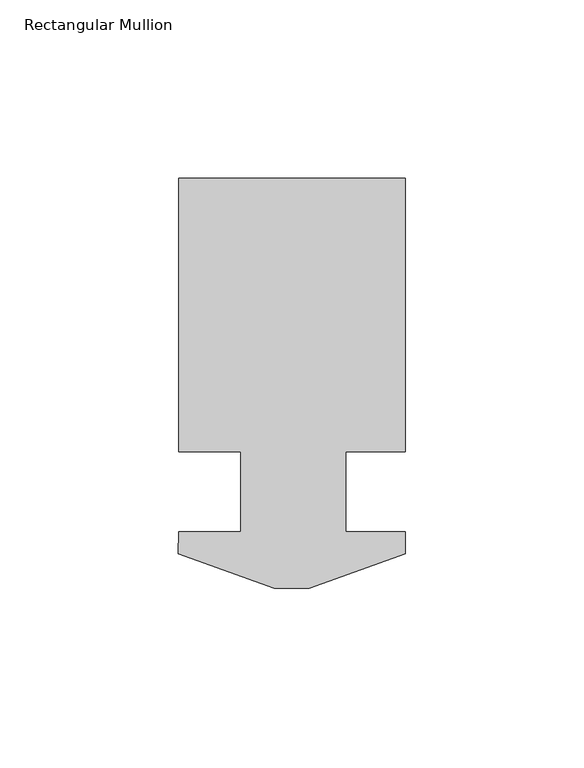
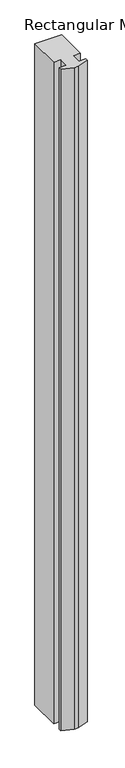
"""IFC4 building model written with IfcOpenShell, lengths in millimetres: member geometry, Rectangular Mullion."""

from ifc_helpers import new_model, si_unit, frame, origin, place, context, project, spatial, polyline, outline, extrude, source, transform, mapped, element, save


def rectangular_mullion_930e6d20(model_context):
    return source(origin(), model_context, "Body", "SweptSolid", [
        extrude(outline(polyline([(31.75, 116.0192625), (31.75, 39.4890625), (15.0622, 39.4890625), (15.0622, 17.0303071), (31.7249979, 17.0303071), (31.7249979, 10.9140625), (4.9272021, 1.1604625), (-4.9772064, 1.1604625), (-31.7750021, 10.9140625), (-31.7610336, 17.0303071), (-14.2875, 17.0303071), (-14.2875, 39.4890625), (-31.75, 39.4890625), (-31.75, 116.0192625), (31.75, 116.0192625)])), frame((0.0, 0.0, -1656.7442516), z_axis=(0.0, 0.0, 1.0), x_axis=(1.0, 0.0, 0.0)), (0.0, 0.0, 1.0), 1656.7442516),
    ])


if __name__ == "__main__":
    model = new_model("IFC4")
    model_context = context("Model", 3, world=origin())
    ifc_project = project(units=[si_unit("LENGTHUNIT", "METRE", prefix="MILLI")], contexts=[model_context])
    site = spatial("IfcSite", under=ifc_project)
    building = spatial("IfcBuilding", under=site)
    placement = place(None, origin())
    rectangular_mullion_shape = rectangular_mullion_930e6d20(model_context)
    element("IfcMember", 1, ObjectType="Rectangular Mullion", at=placement, inside=building, context=model_context, shape_type="MappedRepresentation", body=[
        mapped(rectangular_mullion_shape, transform((0.0, 0.0, 0.0), x_axis=(1.0, 0.0, 0.0), y_axis=(0.0, 1.0, 0.0), z_axis=(0.0, 0.0, 1.0))),
    ])
    save(model, "model.ifc")
